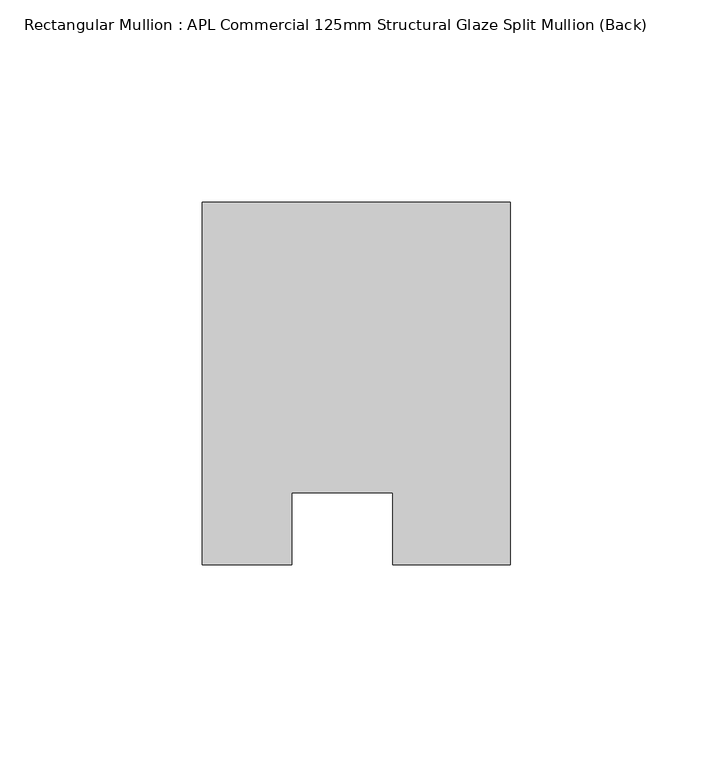
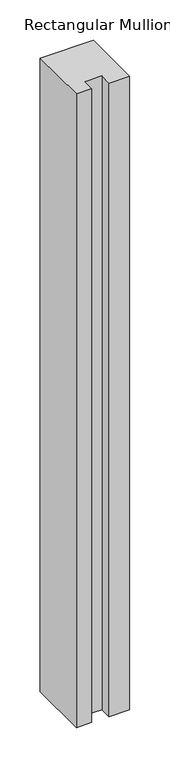
"""IFC4 building model written with IfcOpenShell, lengths in millimetres: member geometry, Rectangular Mullion : APL Commercial 125mm Structural Glaze Split Mullion (Back)."""

from ifc_helpers import new_model, si_unit, frame, origin, place, context, project, spatial, polyline, outline, extrude, source, transform, mapped, element, save


def rectangular_mullion_apl_commercial_125mm_structural_glaze_63078965(model_context):
    return source(origin(), model_context, "Body", "SweptSolid", [
        extrude(outline(polyline([(37.9999914, 104.4960123), (37.9999914, 14.9960123), (9.0, 14.9960123), (9.0, 32.7960123), (-16.0, 32.7960123), (-16.0, 14.9960123), (-37.9999896, 14.9960123), (-37.9999896, 104.4960123), (37.9999914, 104.4960123)])), frame((0.0, 0.0, -956.846945), z_axis=(0.0, 0.0, 1.0), x_axis=(1.0, 0.0, 0.0)), (0.0, 0.0, 1.0), 956.846945),
    ])


if __name__ == "__main__":
    model = new_model("IFC4")
    model_context = context("Model", 3, world=origin())
    ifc_project = project(units=[si_unit("LENGTHUNIT", "METRE", prefix="MILLI")], contexts=[model_context])
    site = spatial("IfcSite", under=ifc_project)
    building = spatial("IfcBuilding", under=site)
    placement = place(None, origin())
    rectangular_mullion_apl_commercial_125mm_structural_glaze_shape = rectangular_mullion_apl_commercial_125mm_structural_glaze_63078965(model_context)
    element("IfcMember", 1, ObjectType="Rectangular Mullion : APL Commercial 125mm Structural Glaze Split Mullion (Back)", at=placement, inside=building, context=model_context, shape_type="MappedRepresentation", body=[
        mapped(rectangular_mullion_apl_commercial_125mm_structural_glaze_shape, transform((0.0, 0.0, 0.0), x_axis=(1.0, 0.0, 0.0), y_axis=(0.0, 1.0, 0.0), z_axis=(0.0, 0.0, 1.0))),
    ])
    save(model, "model.ifc")
